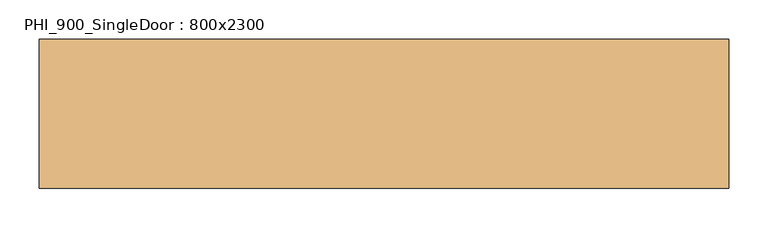
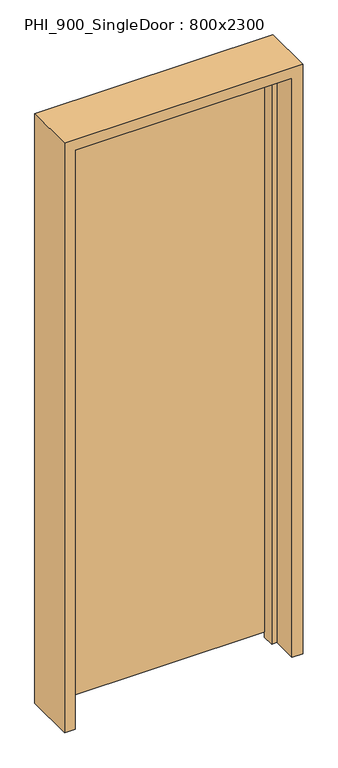
"""IFC4 building model written with IfcOpenShell, lengths in millimetres: door geometry, PHI_900_SingleDoor : 800x2300."""

import ifcopenshell
import ifcopenshell.guid

model = None  # the IFC model being written
_history = None  # IfcOwnerHistory: only IFC2X3 demands one
_inside = {}  # id of a spatial element -> (the spatial element, [elements in it])
_under = {}  # id of a project, library or spatial element -> (it, [spatial elements below it])
_declared = {}  # id of a project -> (the project, [libraries it declares])
_typed = {}  # id of a type object -> (the type object, [elements of that type])
_made_of = {}  # id of a material, layer set ... -> (it, [elements and type objects made of it])


def new_model(schema):
    """Start an empty IFC model of exactly this schema.

    Asked for "IFC4X3", IfcOpenShell would pick the latest addendum, in which some entities
    have other attributes; the version numbers below select the first issue.
    IFC2X3 requires an IfcOwnerHistory on every rooted entity: one is made here for all.
    """
    global model, _history
    if schema == "IFC4X3":
        model = ifcopenshell.file(schema_version=(4, 3, 0, 0))
    else:
        model = ifcopenshell.file(schema=schema)
    _inside.clear()
    _under.clear()
    _declared.clear()
    _typed.clear()
    _made_of.clear()
    _history = None
    if model.schema == "IFC2X3":
        org = make("IfcOrganization", Name="unknown")
        user = make(
            "IfcPersonAndOrganization",
            ThePerson=make("IfcPerson", FamilyName="unknown"),
            TheOrganization=org,
        )
        app = make(
            "IfcApplication",
            ApplicationDeveloper=org,
            Version="unknown",
            ApplicationFullName="unknown",
            ApplicationIdentifier="unknown",
        )
        _history = make(
            "IfcOwnerHistory",
            OwningUser=user,
            OwningApplication=app,
            ChangeAction="ADDED",
            CreationDate=0,
        )
    return model


def make(cls, **values):
    """One entity of the class cls with the attributes given. An attribute that is None is left unset."""
    return model.create_entity(
        cls, **{name: value for name, value in values.items() if value is not None}
    )


def rooted(cls, **values):
    """An entity with a GlobalId (a new one), such as an element, a storey or a relation."""
    return make(cls, GlobalId=ifcopenshell.guid.new(), OwnerHistory=_history, **values)


def si_unit(unit_type, name, prefix=None):
    """IfcSIUnit, for example si_unit("LENGTHUNIT", "METRE", prefix="MILLI")."""
    return make("IfcSIUnit", UnitType=unit_type, Prefix=prefix, Name=name)


def assignment(units):
    """IfcUnitAssignment: the units of a project."""
    return None if units is None else make("IfcUnitAssignment", Units=units)


def point(xyz):
    """IfcCartesianPoint."""
    return None if xyz is None else make("IfcCartesianPoint", Coordinates=xyz)


def direction(xyz):
    """IfcDirection."""
    return None if xyz is None else make("IfcDirection", DirectionRatios=xyz)


def frame(location, z_axis=None, x_axis=None):
    """IfcAxis2Placement3D, a coordinate frame: its origin and axes. An axis left out is left unset."""
    return make(
        "IfcAxis2Placement3D",
        Location=point(location),
        Axis=direction(z_axis),
        RefDirection=direction(x_axis),
    )


def origin():
    """The frame at (0, 0, 0) with its axes left unset."""
    return frame((0.0, 0.0, 0.0))


def place(relative_to, where):
    """IfcLocalPlacement: puts the frame where relative to a parent placement (None: the world)."""
    return make(
        "IfcLocalPlacement", PlacementRelTo=relative_to, RelativePlacement=where
    )


def context(
    kind, dimensions, precision=None, world=None, true_north=None, identifier=None
):
    """IfcGeometricRepresentationContext, for example the 3D "Model" context."""
    return make(
        "IfcGeometricRepresentationContext",
        ContextIdentifier=identifier,
        ContextType=kind,
        CoordinateSpaceDimension=dimensions,
        Precision=precision,
        WorldCoordinateSystem=world,
        TrueNorth=true_north,
    )


def project(units=None, contexts=None):
    """IfcProject with its units and contexts."""
    return rooted(
        "IfcProject",
        Name="project",
        RepresentationContexts=contexts,
        UnitsInContext=assignment(units),
    )


def spatial(cls, under=None, at=None, **own):
    """A site, building, storey or space (cls), placed at a placement, below another one or the project."""
    s = rooted(cls, ObjectPlacement=at, **own)
    if under is not None:
        _under.setdefault(under.id(), (under, []))[1].append(s)
    return s


def polyline(points):
    """IfcPolyline through the points."""
    return make("IfcPolyline", Points=[point(p) for p in points])


def outline(outer, holes=None, kind="AREA"):
    """IfcArbitraryClosedProfileDef: a profile drawn as a closed curve; with holes, ...WithVoids."""
    if holes is None:
        return make("IfcArbitraryClosedProfileDef", ProfileType=kind, OuterCurve=outer)
    return make(
        "IfcArbitraryProfileDefWithVoids",
        ProfileType=kind,
        OuterCurve=outer,
        InnerCurves=holes,
    )


def extrude(swept, where, along, depth):
    """IfcExtrudedAreaSolid: the profile swept, set in the frame where, extruded along a direction by depth."""
    return make(
        "IfcExtrudedAreaSolid",
        SweptArea=swept,
        Position=where,
        ExtrudedDirection=direction(along),
        Depth=depth,
    )


def shape(context_of_items, identifier, shape_type, items):
    """IfcShapeRepresentation: the items that make up one representation, for example the "Body"."""
    return make(
        "IfcShapeRepresentation",
        ContextOfItems=context_of_items,
        RepresentationIdentifier=identifier,
        RepresentationType=shape_type,
        Items=items,
    )


def source(mapping_origin, context_of_items, identifier, shape_type, items):
    """IfcRepresentationMap: a shape defined once, which mapped items show again and again."""
    return make(
        "IfcRepresentationMap",
        MappingOrigin=mapping_origin,
        MappedRepresentation=shape(context_of_items, identifier, shape_type, items),
    )


def transform(
    local_origin,
    x_axis=None,
    y_axis=None,
    z_axis=None,
    scale=None,
    scale2=None,
    scale3=None,
    uniform=True,
):
    """IfcCartesianTransformationOperator3D, or its non-uniform kind. x_axis, y_axis, z_axis: its Axis1, 2, 3."""
    if uniform:
        return make(
            "IfcCartesianTransformationOperator3D",
            Axis1=direction(x_axis),
            Axis2=direction(y_axis),
            LocalOrigin=point(local_origin),
            Scale=scale,
            Axis3=direction(z_axis),
        )
    return make(
        "IfcCartesianTransformationOperator3DnonUniform",
        Axis1=direction(x_axis),
        Axis2=direction(y_axis),
        LocalOrigin=point(local_origin),
        Scale=scale,
        Axis3=direction(z_axis),
        Scale2=scale2,
        Scale3=scale3,
    )


def mapped(mapping_source, mapping_target):
    """IfcMappedItem: shows the shape of a source again, moved by a transform."""
    return make(
        "IfcMappedItem", MappingSource=mapping_source, MappingTarget=mapping_target
    )


def made_of(thing, what):
    """Note that an element or type object is made of a material, layer set ...; save() writes the relation."""
    if what is not None:
        _made_of.setdefault(what.id(), (what, []))[1].append(thing)
    return thing


def element(
    cls,
    number,
    at=None,
    inside=None,
    cuts=None,
    type_object=None,
    material=None,
    context=None,
    identifier="Body",
    shape_type=None,
    held_by="IfcProductDefinitionShape",
    body=None,
    shapes=None,
    **own,
):
    """One element of the class cls, such as IfcWall. Its Tag is "e" and its number.

    at: its placement. inside: the storey or other place that contains it. cuts: it is an
    opening in that element (IfcRelVoidsElement). A single representation is given by context,
    identifier, shape_type and body (its items); several are given by shapes. held_by: the class
    of the entity that holds the representations. save() writes the other relations.
    """
    e = rooted(cls, Tag="e%d" % number, ObjectPlacement=at, **own)
    if body is not None:
        shapes = [shape(context, identifier, shape_type, body)]
    if shapes is not None:
        e.Representation = make(held_by, Representations=shapes)
    if inside is not None:
        _inside.setdefault(inside.id(), (inside, []))[1].append(e)
    if cuts is not None:
        rooted(
            "IfcRelVoidsElement", RelatingBuildingElement=cuts, RelatedOpeningElement=e
        )
    if type_object is not None:
        _typed.setdefault(type_object.id(), (type_object, []))[1].append(e)
    return made_of(e, material)


def aggregate(whole, parts):
    """IfcRelAggregates: a whole, such as a stair, and the parts it consists of."""
    return rooted("IfcRelAggregates", RelatingObject=whole, RelatedObjects=parts)


def save(model, path):
    """Write the relations noted so far, then the file.

    IfcRelAggregates (storeys below a building ...), IfcRelContainedInSpatialStructure (elements
    in a storey), IfcRelDefinesByType, IfcRelAssociatesMaterial and IfcRelDeclares: one each for
    every whole, place, type object, material and project.
    """
    for whole, parts in _under.values():
        aggregate(whole, parts)
    for where, things in _inside.values():
        rooted(
            "IfcRelContainedInSpatialStructure",
            RelatedElements=things,
            RelatingStructure=where,
        )
    for kind, things in _typed.values():
        rooted("IfcRelDefinesByType", RelatedObjects=things, RelatingType=kind)
    for what, things in _made_of.values():
        rooted("IfcRelAssociatesMaterial", RelatedObjects=things, RelatingMaterial=what)
    for by, libraries in _declared.values():
        rooted("IfcRelDeclares", RelatingContext=by, RelatedDefinitions=libraries)
    model.write(path)


def phi_900_singledoor_800x2300_2619690c(model_context):
    return source(origin(), model_context, "Body", "SweptSolid", [
        extrude(outline(polyline([(398.0, 95.0), (398.0, 45.0), (-398.0, 45.0), (-398.0, 95.0), (398.0, 95.0)])), frame((0.0, 0.0, 20.0), z_axis=(0.0, 0.0, 1.0), x_axis=(1.0, 0.0, 0.0)), (0.0, 0.0, 1.0), 2238.0),
        extrude(outline(polyline([(2300.0, -440.0), (0.0, -440.0), (0.0, -400.0), (2260.0, -400.0), (2260.0, 400.0), (0.0, 400.0), (0.0, 440.0), (2300.0, 440.0), (2300.0, -440.0)])), frame((0.0, -95.0, 0.0), z_axis=(0.0, 1.0, 0.0), x_axis=(0.0, 0.0, 1.0)), (0.0, 0.0, 1.0), 190.0),
        extrude(outline(polyline([(2260.0, -400.0), (0.0, -400.0), (0.0, -380.0), (2240.0, -380.0), (2240.0, 380.0), (0.0, 380.0), (0.0, 400.0), (2260.0, 400.0), (2260.0, -400.0)])), frame((0.0, 0.0, 0.0), z_axis=(0.0, 1.0, 0.0), x_axis=(0.0, 0.0, 1.0)), (0.0, 0.0, 1.0), 45.0),
    ])


if __name__ == "__main__":
    model = new_model("IFC4")
    model_context = context("Model", 3, world=origin())
    ifc_project = project(units=[si_unit("LENGTHUNIT", "METRE", prefix="MILLI")], contexts=[model_context])
    site = spatial("IfcSite", under=ifc_project)
    building = spatial("IfcBuilding", under=site)
    placement = place(None, origin())
    phi_900_singledoor_800x2300_shape = phi_900_singledoor_800x2300_2619690c(model_context)
    element("IfcDoor", 1, ObjectType="PHI_900_SingleDoor : 800x2300", at=placement, inside=building, context=model_context, shape_type="MappedRepresentation", body=[
        mapped(phi_900_singledoor_800x2300_shape, transform((0.0, 0.0, 0.0), x_axis=(1.0, 0.0, 0.0), y_axis=(0.0, 1.0, 0.0), z_axis=(0.0, 0.0, 1.0))),
    ])
    save(model, "model.ifc")
